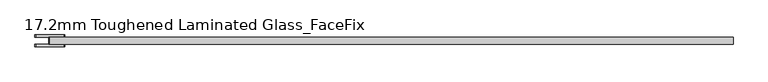
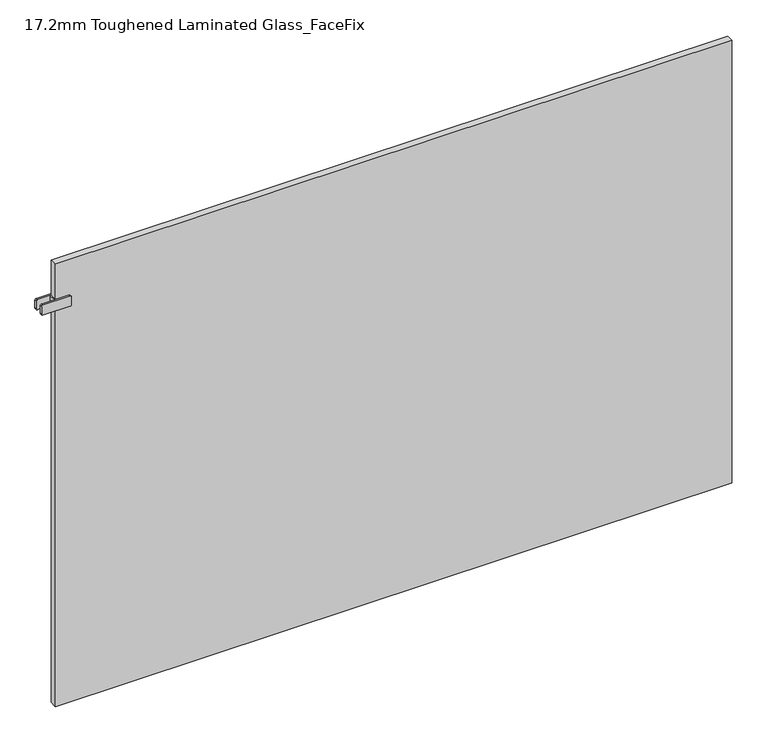
"""IFC4 building model written with IfcOpenShell, lengths in millimetres: plate geometry, 17.2mm Toughened Laminated Glass_FaceFix."""

from ifc_helpers import new_model, si_unit, point, frame, frame_2d, origin, origin_with_axes, place, context, project, spatial, polyline, circle_curve, trimmed, segment, composite_curve, outline, extrude, source, transform, mapped, element, save


def plate_17_2mm_toughened_laminated_glass_facefix_a0702fbf(model_context):
    return source(origin(), model_context, "Body", "SweptSolid", [
        extrude(outline(polyline([(-797.5000001, -40.6), (-797.5000001, -23.4), (-792.5000001, -23.4), (-792.5000001, -40.6), (-797.5000001, -40.6)])), frame((0.0, 0.0, 987.5), z_axis=(0.0, 0.0, 1.0), x_axis=(1.0, 0.0, 0.0)), (0.0, 0.0, 1.0), 25.0),
        extrude(outline(composite_curve([segment(trimmed(circle_curve(frame_2d((990.5, -763.0000001)), 3.0), [point((987.5, -763.0000001))], [point((990.5, -760.0000001))], False, "CARTESIAN"), True, "CONTINUOUS"), segment(polyline([(990.5, -760.0000001), (1009.5, -760.0000001)]), True, "CONTINUOUS"), segment(trimmed(circle_curve(frame_2d((1009.5, -763.0000001)), 3.0), [point((1009.5, -760.0000001))], [point((1012.5, -763.0000001))], False, "CARTESIAN"), True, "CONTINUOUS"), segment(polyline([(1012.5, -763.0000001), (1012.5, -827.0000001)]), True, "CONTINUOUS"), segment(trimmed(circle_curve(frame_2d((1009.5, -827.0000001)), 3.0), [point((1012.5, -827.0000001))], [point((1009.5, -830.0000001))], False, "CARTESIAN"), True, "CONTINUOUS"), segment(polyline([(1009.5, -830.0000001), (990.5, -830.0000001)]), True, "CONTINUOUS"), segment(trimmed(circle_curve(frame_2d((990.5, -827.0000001)), 3.0), [point((990.5, -830.0000001))], [point((987.5, -827.0000001))], False, "CARTESIAN"), True, "CONTINUOUS"), segment(polyline([(987.5, -827.0000001), (987.5, -763.0000001)]), True, "CONTINUOUS")], self_intersect=False)), frame((0.0, -23.4, 0.0), z_axis=(0.0, 1.0, 0.0), x_axis=(0.0, 0.0, 1.0)), (0.0, 0.0, 1.0), 5.0),
        extrude(outline(composite_curve([segment(trimmed(circle_curve(frame_2d((990.5, -763.0000001)), 3.0), [point((987.5, -763.0000001))], [point((990.5, -760.0000001))], False, "CARTESIAN"), True, "CONTINUOUS"), segment(polyline([(990.5, -760.0000001), (1009.5, -760.0000001)]), True, "CONTINUOUS"), segment(trimmed(circle_curve(frame_2d((1009.5, -763.0000001)), 3.0), [point((1009.5, -760.0000001))], [point((1012.5, -763.0000001))], False, "CARTESIAN"), True, "CONTINUOUS"), segment(polyline([(1012.5, -763.0000001), (1012.5, -827.0000001)]), True, "CONTINUOUS"), segment(trimmed(circle_curve(frame_2d((1009.5, -827.0000001)), 3.0), [point((1012.5, -827.0000001))], [point((1009.5, -830.0000001))], False, "CARTESIAN"), True, "CONTINUOUS"), segment(polyline([(1009.5, -830.0000001), (990.5, -830.0000001)]), True, "CONTINUOUS"), segment(trimmed(circle_curve(frame_2d((990.5, -827.0000001)), 3.0), [point((990.5, -830.0000001))], [point((987.5, -827.0000001))], False, "CARTESIAN"), True, "CONTINUOUS"), segment(polyline([(987.5, -827.0000001), (987.5, -763.0000001)]), True, "CONTINUOUS")], self_intersect=False)), frame((0.0, -45.6, 0.0), z_axis=(0.0, 1.0, 0.0), x_axis=(0.0, 0.0, 1.0)), (0.0, 0.0, 1.0), 5.0),
        extrude(outline(polyline([(795.0000001, -23.4), (795.0000001, -40.6), (-795.0000001, -40.6), (-795.0000001, -23.4), (795.0000001, -23.4)])), origin_with_axes(), (0.0, 0.0, 1.0), 1100.0),
    ])


if __name__ == "__main__":
    model = new_model("IFC4")
    model_context = context("Model", 3, world=origin())
    ifc_project = project(units=[si_unit("LENGTHUNIT", "METRE", prefix="MILLI")], contexts=[model_context])
    site = spatial("IfcSite", under=ifc_project)
    building = spatial("IfcBuilding", under=site)
    placement = place(None, origin())
    plate_17_2mm_toughened_laminated_glass_facefix_shape = plate_17_2mm_toughened_laminated_glass_facefix_a0702fbf(model_context)
    element("IfcPlate", 1, ObjectType="17.2mm Toughened Laminated Glass_FaceFix", at=placement, inside=building, context=model_context, shape_type="MappedRepresentation", body=[
        mapped(plate_17_2mm_toughened_laminated_glass_facefix_shape, transform((0.0, 0.0, 0.0), x_axis=(1.0, 0.0, 0.0), y_axis=(0.0, 1.0, 0.0), z_axis=(0.0, 0.0, 1.0))),
    ])
    save(model, "model.ifc")
